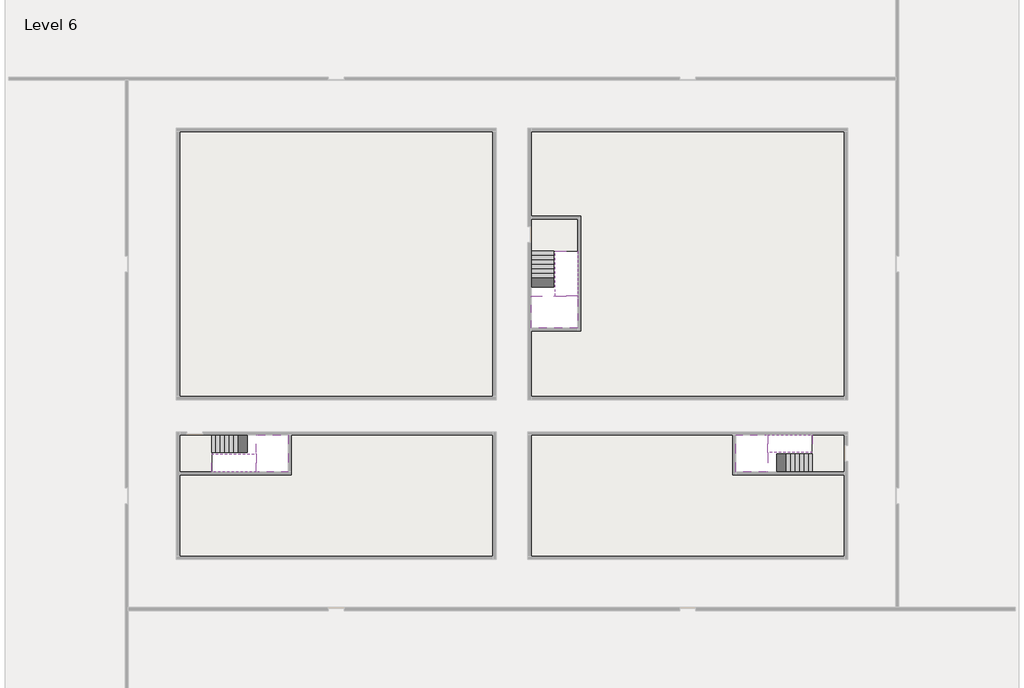
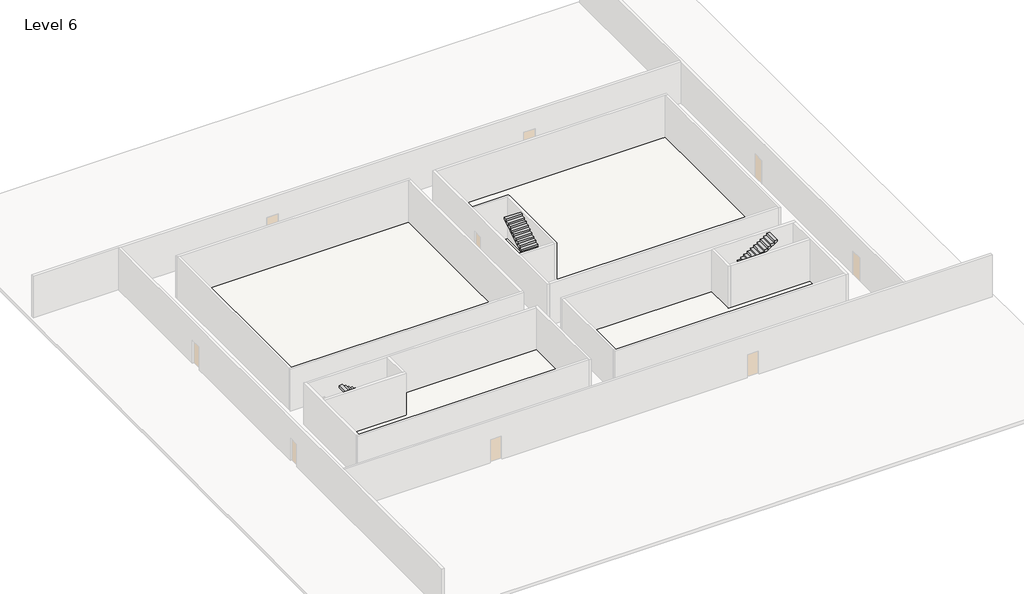
# One storey, part 2 of 2: 6 stair flights, 5 slabs.
"""IFC4 building model written with IfcOpenShell, lengths in millimetres."""

from ifc_helpers import new_model, si_unit, frame, origin, place, context, project, spatial, polyline, outline, extrude, faceted_brep, element, save

model = new_model("IFC4")

# Units and contexts
model_context = context("Model", 3, world=origin())
ifc_project = project(units=[si_unit("LENGTHUNIT", "METRE", prefix="MILLI")], contexts=[model_context])

# Site, building, storey
site = spatial("IfcSite", under=ifc_project)
building = spatial("IfcBuilding", under=site)
storey = spatial("IfcBuildingStorey", under=building, Name="Level 6", Elevation=19000.0)

# Slabs
placement = place(None, origin())
element("IfcSlab", 1, at=placement, inside=storey, context=model_context, shape_type="Brep", body=[
    faceted_brep([(8190.1058784, -42918.09644, 20900.0), (8190.1058784, -44018.09644, 20900.0), (8190.1058784, -44118.09644, 20900.0), (8190.1058784, -45218.09644, 20900.0), (8390.7194421, -45218.09644, 20900.0), (10190.1058784, -45218.09644, 20900.0), (10190.1058784, -42918.09644, 20900.0), (8269.4923146, -42918.09644, 20900.0), (8190.1058784, -42918.09644, 20727.2727273), (8190.1058784, -42918.09644, 20551.0278478), (8190.1058784, -44018.09644, 20551.0278478), (8190.1058784, -44018.09644, 20600.0), (8190.1058784, -44118.09644, 20600.0), (8190.1058784, -44118.09644, 20723.7551205), (8190.1058784, -45218.09644, 20723.7551205), (8390.7194421, -45218.09644, 20600.0), (10190.1058784, -45218.09644, 20600.0), (10190.1058784, -42918.09644, 20600.0), (8269.4923146, -42918.09644, 20600.0), (8390.7194421, -44118.09644, 20600.0), (8269.4923146, -44018.09644, 20600.0)], [[[0, 1, 2, 3, 4, 5, 6, 7]], [[1, 0, 8, 9, 10, 11]], [[2, 1, 11, 12, 13]], [[3, 2, 13, 14]], [[3, 14, 15, 16, 5, 4]], [[6, 5, 16, 17]], [[9, 8, 0, 7, 6, 17, 18]], [[19, 12, 11, 20, 18, 17, 16, 15]], [[12, 19, 13]], [[18, 20, 10, 9]], [[20, 11, 10]], [[19, 15, 14, 13]]]),
])
element("IfcSlab", 2, at=placement, inside=storey, context=model_context, shape_type="Brep", body=[
    faceted_brep([(40190.1058784, -45218.09644, 20900.0), (40190.1058784, -44118.09644, 20900.0), (40190.1058784, -44018.09644, 20900.0), (40190.1058784, -42918.09644, 20900.0), (39989.4923146, -42918.09644, 20900.0), (38190.1058784, -42918.09644, 20900.0), (38190.1058784, -45218.09644, 20900.0), (40110.7194421, -45218.09644, 20900.0), (40190.1058784, -45218.09644, 20727.2727273), (40190.1058784, -45218.09644, 20551.0278478), (40190.1058784, -44118.09644, 20551.0278478), (40190.1058784, -44118.09644, 20600.0), (40190.1058784, -44018.09644, 20600.0), (40190.1058784, -44018.09644, 20723.7551205), (40190.1058784, -42918.09644, 20723.7551205), (39989.4923146, -42918.09644, 20600.0), (38190.1058784, -42918.09644, 20600.0), (38190.1058784, -45218.09644, 20600.0), (40110.7194421, -45218.09644, 20600.0), (39989.4923146, -44018.09644, 20600.0), (40110.7194421, -44118.09644, 20600.0)], [[[0, 1, 2, 3, 4, 5, 6, 7]], [[1, 0, 8, 9, 10, 11]], [[2, 1, 11, 12, 13]], [[3, 2, 13, 14]], [[3, 14, 15, 16, 5, 4]], [[6, 5, 16, 17]], [[9, 8, 0, 7, 6, 17, 18]], [[19, 12, 11, 20, 18, 17, 16, 15]], [[12, 19, 13]], [[18, 20, 10, 9]], [[20, 11, 10]], [[19, 15, 14, 13]]]),
])
element("IfcSlab", 3, at=placement, inside=storey, context=model_context, shape_type="Brep", body=[
    faceted_brep([(26790.1058784, -34218.09644, 20900.0), (25390.1058784, -34218.09644, 20900.0), (25390.1058784, -34297.4828763, 20900.0), (25390.1058784, -36218.09644, 20900.0), (28290.1058784, -36218.09644, 20900.0), (28290.1058784, -34418.7100038, 20900.0), (28290.1058784, -34218.09644, 20900.0), (26890.1058784, -34218.09644, 20900.0), (26790.1058784, -34218.09644, 20600.0), (26790.1058784, -34218.09644, 20551.0278478), (25390.1058784, -34218.09644, 20551.0278478), (25390.1058784, -34218.09644, 20727.2727273), (25390.1058784, -34297.4828763, 20600.0), (25390.1058784, -36218.09644, 20600.0), (28290.1058784, -36218.09644, 20600.0), (28290.1058784, -34418.7100038, 20600.0), (28290.1058784, -34218.09644, 20723.7551205), (26890.1058784, -34218.09644, 20723.7551205), (26890.1058784, -34218.09644, 20600.0), (26890.1058784, -34418.7100038, 20600.0), (26790.1058784, -34297.4828763, 20600.0)], [[[0, 1, 2, 3, 4, 5, 6, 7]], [[1, 0, 8, 9, 10, 11]], [[1, 11, 10, 12, 13, 3, 2]], [[4, 3, 13, 14]], [[4, 14, 15, 16, 6, 5]], [[7, 6, 16, 17]], [[0, 7, 17, 18, 8]], [[18, 19, 15, 14, 13, 12, 20, 8]], [[19, 18, 17]], [[20, 12, 10, 9]], [[8, 20, 9]], [[15, 19, 17, 16]]]),
])
element("IfcSlab", 4, at=placement, inside=storey, context=model_context, shape_type="SweptSolid", body=[
    extrude(outline(polyline([(22990.1058784, -23918.09644), (22990.1058784, -40518.09644), (3390.1058784, -40518.09644), (3390.1058784, -23918.09644), (22990.1058784, -23918.09644)])), frame((0.0, 0.0, 18700.0), z_axis=(0.0, 0.0, 1.0), x_axis=(1.0, 0.0, 0.0)), (0.0, 0.0, 1.0), 300.0),
    extrude(outline(polyline([(44990.1058784, -23918.09644), (44990.1058784, -40518.09644), (25390.1058784, -40518.09644), (25390.1058784, -36418.09644), (28490.1058784, -36418.09644), (28490.1058784, -29218.09644), (25390.1058784, -29218.09644), (25390.1058784, -23918.09644), (44990.1058784, -23918.09644)])), frame((0.0, 0.0, 18700.0), z_axis=(0.0, 0.0, 1.0), x_axis=(1.0, 0.0, 0.0)), (0.0, 0.0, 1.0), 300.0),
    extrude(outline(polyline([(22990.1058784, -42918.09644), (22990.1058784, -50518.09644), (3390.1058784, -50518.09644), (3390.1058784, -45418.09644), (10390.1058784, -45418.09644), (10390.1058784, -42918.09644), (22990.1058784, -42918.09644)])), frame((0.0, 0.0, 18700.0), z_axis=(0.0, 0.0, 1.0), x_axis=(1.0, 0.0, 0.0)), (0.0, 0.0, 1.0), 300.0),
    extrude(outline(polyline([(37990.1058784, -42918.09644), (37990.1058784, -45418.09644), (44990.1058784, -45418.09644), (44990.1058784, -50518.09644), (25390.1058784, -50518.09644), (25390.1058784, -42918.09644), (37990.1058784, -42918.09644)])), frame((0.0, 0.0, 18700.0), z_axis=(0.0, 0.0, 1.0), x_axis=(1.0, 0.0, 0.0)), (0.0, 0.0, 1.0), 300.0),
])
element("IfcSlab", 5, at=placement, inside=storey, context=model_context, shape_type="SweptSolid", body=[
    extrude(outline(polyline([(44990.1058784, -42918.09644), (44990.1058784, -45218.09644), (42990.1058784, -45218.09644), (42990.1058784, -42918.09644), (44990.1058784, -42918.09644)])), frame((0.0, 0.0, 18700.0), z_axis=(0.0, 0.0, 1.0), x_axis=(1.0, 0.0, 0.0)), (0.0, 0.0, 1.0), 300.0),
    extrude(outline(polyline([(5390.1058784, -42918.09644), (5390.1058784, -45218.09644), (3390.1058784, -45218.09644), (3390.1058784, -42918.09644), (5390.1058784, -42918.09644)])), frame((0.0, 0.0, 18700.0), z_axis=(0.0, 0.0, 1.0), x_axis=(1.0, 0.0, 0.0)), (0.0, 0.0, 1.0), 300.0),
    extrude(outline(polyline([(28290.1058784, -29418.09644), (28290.1058784, -31418.09644), (25390.1058784, -31418.09644), (25390.1058784, -29418.09644), (28290.1058784, -29418.09644)])), frame((0.0, 0.0, 18700.0), z_axis=(0.0, 0.0, 1.0), x_axis=(1.0, 0.0, 0.0)), (0.0, 0.0, 1.0), 300.0),
])

# Stair flights
element("IfcStairFlight", 6, at=placement, inside=storey, context=model_context, shape_type="Brep", body=[
    faceted_brep([(5670.1058784, -42918.09644, 19172.7272727), (5390.1058784, -42918.09644, 19172.7272727), (5390.1058784, -44018.09644, 19172.7272727), (5670.1058784, -44018.09644, 19172.7272727), (5670.1058784, -42918.09644, 19000.0), (5390.1058784, -42918.09644, 19000.0), (5390.1058784, -44018.09644, 19000.0), (5670.1058784, -44018.09644, 19000.0), (5950.1058784, -42918.09644, 19345.4545455), (5670.1058784, -42918.09644, 19345.4545455), (5670.1058784, -44018.09644, 19345.4545455), (5950.1058784, -44018.09644, 19345.4545455), (5950.1058784, -42918.09644, 19169.209666), (5675.8081041, -42918.09644, 19000.0), (5675.8081041, -44018.09644, 19000.0), (5950.1058784, -44018.09644, 19169.209666), (6230.1058784, -42918.09644, 19518.1818182), (5950.1058784, -42918.09644, 19518.1818182), (5950.1058784, -44018.09644, 19518.1818182), (6230.1058784, -44018.09644, 19518.1818182), (6230.1058784, -42918.09644, 19341.9369387), (6230.1058784, -44018.09644, 19341.9369387), (6510.1058784, -42918.09644, 19690.9090909), (6230.1058784, -42918.09644, 19690.9090909), (6230.1058784, -44018.09644, 19690.9090909), (6510.1058784, -44018.09644, 19690.9090909), (6510.1058784, -42918.09644, 19514.6642114), (6510.1058784, -44018.09644, 19514.6642114), (6790.1058784, -42918.09644, 19863.6363636), (6510.1058784, -42918.09644, 19863.6363636), (6510.1058784, -44018.09644, 19863.6363636), (6790.1058784, -44018.09644, 19863.6363636), (6790.1058784, -42918.09644, 19687.3914841), (6790.1058784, -44018.09644, 19687.3914841), (7070.1058784, -42918.09644, 20036.3636364), (6790.1058784, -42918.09644, 20036.3636364), (6790.1058784, -44018.09644, 20036.3636364), (7070.1058784, -44018.09644, 20036.3636364), (7070.1058784, -42918.09644, 19860.1187569), (7070.1058784, -44018.09644, 19860.1187569), (7350.1058784, -42918.09644, 20209.0909091), (7070.1058784, -42918.09644, 20209.0909091), (7070.1058784, -44018.09644, 20209.0909091), (7350.1058784, -44018.09644, 20209.0909091), (7350.1058784, -42918.09644, 20032.8460296), (7350.1058784, -44018.09644, 20032.8460296), (7630.1058784, -42918.09644, 20381.8181818), (7350.1058784, -42918.09644, 20381.8181818), (7350.1058784, -44018.09644, 20381.8181818), (7630.1058784, -44018.09644, 20381.8181818), (7630.1058784, -42918.09644, 20205.5733023), (7630.1058784, -44018.09644, 20205.5733023), (7910.1058784, -42918.09644, 20554.5454545), (7630.1058784, -42918.09644, 20554.5454545), (7630.1058784, -44018.09644, 20554.5454545), (7910.1058784, -44018.09644, 20554.5454545), (7910.1058784, -42918.09644, 20378.3005751), (7910.1058784, -44018.09644, 20378.3005751), (8190.1058784, -42918.09644, 20727.2727273), (7910.1058784, -42918.09644, 20727.2727273), (7910.1058784, -44018.09644, 20727.2727273), (8190.1058784, -44018.09644, 20727.2727273), (8190.1058784, -42918.09644, 20551.0278478), (8190.1058784, -44018.09644, 20551.0278478), (8190.1058784, -44018.09644, 20600.0)], [[[0, 1, 2, 3]], [[1, 0, 4, 5]], [[2, 1, 5, 6]], [[3, 2, 6, 7]], [[8, 9, 10, 11]], [[4, 0, 9, 8, 12, 13]], [[0, 3, 10, 9]], [[3, 7, 14, 15, 11, 10]], [[16, 17, 18, 19]], [[17, 16, 20, 12, 8]], [[8, 11, 18, 17]], [[19, 18, 11, 15, 21]], [[22, 23, 24, 25]], [[23, 22, 26, 20, 16]], [[16, 19, 24, 23]], [[25, 24, 19, 21, 27]], [[28, 29, 30, 31]], [[29, 28, 32, 26, 22]], [[22, 25, 30, 29]], [[31, 30, 25, 27, 33]], [[34, 35, 36, 37]], [[35, 34, 38, 32, 28]], [[28, 31, 36, 35]], [[37, 36, 31, 33, 39]], [[40, 41, 42, 43]], [[41, 40, 44, 38, 34]], [[34, 37, 42, 41]], [[43, 42, 37, 39, 45]], [[46, 47, 48, 49]], [[47, 46, 50, 44, 40]], [[40, 43, 48, 47]], [[49, 48, 43, 45, 51]], [[52, 53, 54, 55]], [[53, 52, 56, 50, 46]], [[46, 49, 54, 53]], [[55, 54, 49, 51, 57]], [[58, 59, 60, 61]], [[59, 58, 62, 56, 52]], [[52, 55, 60, 59]], [[61, 60, 55, 57, 63, 64]], [[58, 61, 64, 63, 62]], [[5, 4, 13, 14, 7, 6]], [[14, 13, 12, 20, 26, 32, 38, 44, 50, 56, 62, 63, 57, 51, 45, 39, 33, 27, 21, 15]]]),
])
element("IfcStairFlight", 7, at=placement, inside=storey, context=model_context, shape_type="Brep", body=[
    faceted_brep([(7910.1058784, -45218.09644, 21072.7272727), (8190.1058784, -45218.09644, 21072.7272727), (8190.1058784, -44118.09644, 21072.7272727), (7910.1058784, -44118.09644, 21072.7272727), (7910.1058784, -45218.09644, 20896.4823932), (8190.1058784, -45218.09644, 20723.7551205), (8190.1058784, -45218.09644, 20900.0), (8190.1058784, -44118.09644, 20723.7551205), (7910.1058784, -44118.09644, 20896.4823932), (7630.1058784, -45218.09644, 21245.4545455), (7910.1058784, -45218.09644, 21245.4545455), (7910.1058784, -44118.09644, 21245.4545455), (7630.1058784, -44118.09644, 21245.4545455), (7630.1058784, -45218.09644, 21069.209666), (7630.1058784, -44118.09644, 21069.209666), (7350.1058784, -45218.09644, 21418.1818182), (7630.1058784, -45218.09644, 21418.1818182), (7630.1058784, -44118.09644, 21418.1818182), (7350.1058784, -44118.09644, 21418.1818182), (7350.1058784, -45218.09644, 21241.9369387), (7350.1058784, -44118.09644, 21241.9369387), (7070.1058784, -45218.09644, 21590.9090909), (7350.1058784, -45218.09644, 21590.9090909), (7350.1058784, -44118.09644, 21590.9090909), (7070.1058784, -44118.09644, 21590.9090909), (7070.1058784, -45218.09644, 21414.6642114), (7070.1058784, -44118.09644, 21414.6642114), (6790.1058784, -45218.09644, 21763.6363636), (7070.1058784, -45218.09644, 21763.6363636), (7070.1058784, -44118.09644, 21763.6363636), (6790.1058784, -44118.09644, 21763.6363636), (6790.1058784, -45218.09644, 21587.3914841), (6790.1058784, -44118.09644, 21587.3914841), (6510.1058784, -45218.09644, 21936.3636364), (6790.1058784, -45218.09644, 21936.3636364), (6790.1058784, -44118.09644, 21936.3636364), (6510.1058784, -44118.09644, 21936.3636364), (6510.1058784, -45218.09644, 21760.1187569), (6510.1058784, -44118.09644, 21760.1187569), (6230.1058784, -45218.09644, 22109.0909091), (6510.1058784, -45218.09644, 22109.0909091), (6510.1058784, -44118.09644, 22109.0909091), (6230.1058784, -44118.09644, 22109.0909091), (6230.1058784, -45218.09644, 21932.8460296), (6230.1058784, -44118.09644, 21932.8460296), (5950.1058784, -45218.09644, 22281.8181818), (6230.1058784, -45218.09644, 22281.8181818), (6230.1058784, -44118.09644, 22281.8181818), (5950.1058784, -44118.09644, 22281.8181818), (5950.1058784, -45218.09644, 22105.5733023), (5950.1058784, -44118.09644, 22105.5733023), (5670.1058784, -45218.09644, 22454.5454545), (5950.1058784, -45218.09644, 22454.5454545), (5950.1058784, -44118.09644, 22454.5454545), (5670.1058784, -44118.09644, 22454.5454545), (5670.1058784, -45218.09644, 22278.3005751), (5670.1058784, -44118.09644, 22278.3005751), (5390.1058784, -45218.09644, 22627.2727273), (5670.1058784, -45218.09644, 22627.2727273), (5670.1058784, -44118.09644, 22627.2727273), (5390.1058784, -44118.09644, 22627.2727273), (5390.1058784, -45218.09644, 22451.0278478), (5390.1058784, -44118.09644, 22451.0278478)], [[[0, 1, 2, 3]], [[1, 0, 4, 5, 6]], [[2, 1, 6, 5, 7]], [[3, 2, 7, 8]], [[9, 10, 11, 12]], [[10, 9, 13, 4, 0]], [[11, 10, 0, 3]], [[12, 11, 3, 8, 14]], [[15, 16, 17, 18]], [[16, 15, 19, 13, 9]], [[17, 16, 9, 12]], [[18, 17, 12, 14, 20]], [[21, 22, 23, 24]], [[22, 21, 25, 19, 15]], [[23, 22, 15, 18]], [[24, 23, 18, 20, 26]], [[27, 28, 29, 30]], [[28, 27, 31, 25, 21]], [[29, 28, 21, 24]], [[30, 29, 24, 26, 32]], [[33, 34, 35, 36]], [[34, 33, 37, 31, 27]], [[35, 34, 27, 30]], [[36, 35, 30, 32, 38]], [[39, 40, 41, 42]], [[40, 39, 43, 37, 33]], [[41, 40, 33, 36]], [[42, 41, 36, 38, 44]], [[45, 46, 47, 48]], [[46, 45, 49, 43, 39]], [[47, 46, 39, 42]], [[48, 47, 42, 44, 50]], [[51, 52, 53, 54]], [[52, 51, 55, 49, 45]], [[53, 52, 45, 48]], [[54, 53, 48, 50, 56]], [[57, 58, 59, 60]], [[58, 57, 61, 55, 51]], [[59, 58, 51, 54]], [[60, 59, 54, 56, 62]], [[57, 60, 62, 61]], [[5, 4, 13, 19, 25, 31, 37, 43, 49, 55, 61, 62, 56, 50, 44, 38, 32, 26, 20, 14, 8, 7]]]),
])
element("IfcStairFlight", 8, at=placement, inside=storey, context=model_context, shape_type="Brep", body=[
    faceted_brep([(42710.1058784, -45218.09644, 19172.7272727), (42990.1058784, -45218.09644, 19172.7272727), (42990.1058784, -44118.09644, 19172.7272727), (42710.1058784, -44118.09644, 19172.7272727), (42710.1058784, -45218.09644, 19000.0), (42990.1058784, -45218.09644, 19000.0), (42990.1058784, -44118.09644, 19000.0), (42710.1058784, -44118.09644, 19000.0), (42430.1058784, -45218.09644, 19345.4545455), (42710.1058784, -45218.09644, 19345.4545455), (42710.1058784, -44118.09644, 19345.4545455), (42430.1058784, -44118.09644, 19345.4545455), (42430.1058784, -45218.09644, 19169.209666), (42704.4036527, -45218.09644, 19000.0), (42704.4036527, -44118.09644, 19000.0), (42430.1058784, -44118.09644, 19169.209666), (42150.1058784, -45218.09644, 19518.1818182), (42430.1058784, -45218.09644, 19518.1818182), (42430.1058784, -44118.09644, 19518.1818182), (42150.1058784, -44118.09644, 19518.1818182), (42150.1058784, -45218.09644, 19341.9369387), (42150.1058784, -44118.09644, 19341.9369387), (41870.1058784, -45218.09644, 19690.9090909), (42150.1058784, -45218.09644, 19690.9090909), (42150.1058784, -44118.09644, 19690.9090909), (41870.1058784, -44118.09644, 19690.9090909), (41870.1058784, -45218.09644, 19514.6642114), (41870.1058784, -44118.09644, 19514.6642114), (41590.1058784, -45218.09644, 19863.6363636), (41870.1058784, -45218.09644, 19863.6363636), (41870.1058784, -44118.09644, 19863.6363636), (41590.1058784, -44118.09644, 19863.6363636), (41590.1058784, -45218.09644, 19687.3914841), (41590.1058784, -44118.09644, 19687.3914841), (41310.1058784, -45218.09644, 20036.3636364), (41590.1058784, -45218.09644, 20036.3636364), (41590.1058784, -44118.09644, 20036.3636364), (41310.1058784, -44118.09644, 20036.3636364), (41310.1058784, -45218.09644, 19860.1187569), (41310.1058784, -44118.09644, 19860.1187569), (41030.1058784, -45218.09644, 20209.0909091), (41310.1058784, -45218.09644, 20209.0909091), (41310.1058784, -44118.09644, 20209.0909091), (41030.1058784, -44118.09644, 20209.0909091), (41030.1058784, -45218.09644, 20032.8460296), (41030.1058784, -44118.09644, 20032.8460296), (40750.1058784, -45218.09644, 20381.8181818), (41030.1058784, -45218.09644, 20381.8181818), (41030.1058784, -44118.09644, 20381.8181818), (40750.1058784, -44118.09644, 20381.8181818), (40750.1058784, -45218.09644, 20205.5733023), (40750.1058784, -44118.09644, 20205.5733023), (40470.1058784, -45218.09644, 20554.5454545), (40750.1058784, -45218.09644, 20554.5454545), (40750.1058784, -44118.09644, 20554.5454545), (40470.1058784, -44118.09644, 20554.5454545), (40470.1058784, -45218.09644, 20378.3005751), (40470.1058784, -44118.09644, 20378.3005751), (40190.1058784, -45218.09644, 20727.2727273), (40470.1058784, -45218.09644, 20727.2727273), (40470.1058784, -44118.09644, 20727.2727273), (40190.1058784, -44118.09644, 20727.2727273), (40190.1058784, -45218.09644, 20551.0278478), (40190.1058784, -44118.09644, 20551.0278478), (40190.1058784, -44118.09644, 20600.0)], [[[0, 1, 2, 3]], [[1, 0, 4, 5]], [[2, 1, 5, 6]], [[3, 2, 6, 7]], [[8, 9, 10, 11]], [[4, 0, 9, 8, 12, 13]], [[0, 3, 10, 9]], [[3, 7, 14, 15, 11, 10]], [[16, 17, 18, 19]], [[17, 16, 20, 12, 8]], [[8, 11, 18, 17]], [[19, 18, 11, 15, 21]], [[22, 23, 24, 25]], [[23, 22, 26, 20, 16]], [[16, 19, 24, 23]], [[25, 24, 19, 21, 27]], [[28, 29, 30, 31]], [[29, 28, 32, 26, 22]], [[22, 25, 30, 29]], [[31, 30, 25, 27, 33]], [[34, 35, 36, 37]], [[35, 34, 38, 32, 28]], [[28, 31, 36, 35]], [[37, 36, 31, 33, 39]], [[40, 41, 42, 43]], [[41, 40, 44, 38, 34]], [[34, 37, 42, 41]], [[43, 42, 37, 39, 45]], [[46, 47, 48, 49]], [[47, 46, 50, 44, 40]], [[40, 43, 48, 47]], [[49, 48, 43, 45, 51]], [[52, 53, 54, 55]], [[53, 52, 56, 50, 46]], [[46, 49, 54, 53]], [[55, 54, 49, 51, 57]], [[58, 59, 60, 61]], [[59, 58, 62, 56, 52]], [[52, 55, 60, 59]], [[61, 60, 55, 57, 63, 64]], [[58, 61, 64, 63, 62]], [[5, 4, 13, 14, 7, 6]], [[14, 13, 12, 20, 26, 32, 38, 44, 50, 56, 62, 63, 57, 51, 45, 39, 33, 27, 21, 15]]]),
])
element("IfcStairFlight", 9, at=placement, inside=storey, context=model_context, shape_type="Brep", body=[
    faceted_brep([(40470.1058784, -42918.09644, 21072.7272727), (40190.1058784, -42918.09644, 21072.7272727), (40190.1058784, -44018.09644, 21072.7272727), (40470.1058784, -44018.09644, 21072.7272727), (40470.1058784, -42918.09644, 20896.4823932), (40190.1058784, -42918.09644, 20723.7551205), (40190.1058784, -42918.09644, 20900.0), (40190.1058784, -44018.09644, 20723.7551205), (40470.1058784, -44018.09644, 20896.4823932), (40750.1058784, -42918.09644, 21245.4545455), (40470.1058784, -42918.09644, 21245.4545455), (40470.1058784, -44018.09644, 21245.4545455), (40750.1058784, -44018.09644, 21245.4545455), (40750.1058784, -42918.09644, 21069.209666), (40750.1058784, -44018.09644, 21069.209666), (41030.1058784, -42918.09644, 21418.1818182), (40750.1058784, -42918.09644, 21418.1818182), (40750.1058784, -44018.09644, 21418.1818182), (41030.1058784, -44018.09644, 21418.1818182), (41030.1058784, -42918.09644, 21241.9369387), (41030.1058784, -44018.09644, 21241.9369387), (41310.1058784, -42918.09644, 21590.9090909), (41030.1058784, -42918.09644, 21590.9090909), (41030.1058784, -44018.09644, 21590.9090909), (41310.1058784, -44018.09644, 21590.9090909), (41310.1058784, -42918.09644, 21414.6642114), (41310.1058784, -44018.09644, 21414.6642114), (41590.1058784, -42918.09644, 21763.6363636), (41310.1058784, -42918.09644, 21763.6363636), (41310.1058784, -44018.09644, 21763.6363636), (41590.1058784, -44018.09644, 21763.6363636), (41590.1058784, -42918.09644, 21587.3914841), (41590.1058784, -44018.09644, 21587.3914841), (41870.1058784, -42918.09644, 21936.3636364), (41590.1058784, -42918.09644, 21936.3636364), (41590.1058784, -44018.09644, 21936.3636364), (41870.1058784, -44018.09644, 21936.3636364), (41870.1058784, -42918.09644, 21760.1187569), (41870.1058784, -44018.09644, 21760.1187569), (42150.1058784, -42918.09644, 22109.0909091), (41870.1058784, -42918.09644, 22109.0909091), (41870.1058784, -44018.09644, 22109.0909091), (42150.1058784, -44018.09644, 22109.0909091), (42150.1058784, -42918.09644, 21932.8460296), (42150.1058784, -44018.09644, 21932.8460296), (42430.1058784, -42918.09644, 22281.8181818), (42150.1058784, -42918.09644, 22281.8181818), (42150.1058784, -44018.09644, 22281.8181818), (42430.1058784, -44018.09644, 22281.8181818), (42430.1058784, -42918.09644, 22105.5733023), (42430.1058784, -44018.09644, 22105.5733023), (42710.1058784, -42918.09644, 22454.5454545), (42430.1058784, -42918.09644, 22454.5454545), (42430.1058784, -44018.09644, 22454.5454545), (42710.1058784, -44018.09644, 22454.5454545), (42710.1058784, -42918.09644, 22278.3005751), (42710.1058784, -44018.09644, 22278.3005751), (42990.1058784, -42918.09644, 22627.2727273), (42710.1058784, -42918.09644, 22627.2727273), (42710.1058784, -44018.09644, 22627.2727273), (42990.1058784, -44018.09644, 22627.2727273), (42990.1058784, -42918.09644, 22451.0278478), (42990.1058784, -44018.09644, 22451.0278478)], [[[0, 1, 2, 3]], [[1, 0, 4, 5, 6]], [[2, 1, 6, 5, 7]], [[3, 2, 7, 8]], [[9, 10, 11, 12]], [[10, 9, 13, 4, 0]], [[11, 10, 0, 3]], [[12, 11, 3, 8, 14]], [[15, 16, 17, 18]], [[16, 15, 19, 13, 9]], [[17, 16, 9, 12]], [[18, 17, 12, 14, 20]], [[21, 22, 23, 24]], [[22, 21, 25, 19, 15]], [[23, 22, 15, 18]], [[24, 23, 18, 20, 26]], [[27, 28, 29, 30]], [[28, 27, 31, 25, 21]], [[29, 28, 21, 24]], [[30, 29, 24, 26, 32]], [[33, 34, 35, 36]], [[34, 33, 37, 31, 27]], [[35, 34, 27, 30]], [[36, 35, 30, 32, 38]], [[39, 40, 41, 42]], [[40, 39, 43, 37, 33]], [[41, 40, 33, 36]], [[42, 41, 36, 38, 44]], [[45, 46, 47, 48]], [[46, 45, 49, 43, 39]], [[47, 46, 39, 42]], [[48, 47, 42, 44, 50]], [[51, 52, 53, 54]], [[52, 51, 55, 49, 45]], [[53, 52, 45, 48]], [[54, 53, 48, 50, 56]], [[57, 58, 59, 60]], [[58, 57, 61, 55, 51]], [[59, 58, 51, 54]], [[60, 59, 54, 56, 62]], [[57, 60, 62, 61]], [[5, 4, 13, 19, 25, 31, 37, 43, 49, 55, 61, 62, 56, 50, 44, 38, 32, 26, 20, 14, 8, 7]]]),
])
element("IfcStairFlight", 10, at=placement, inside=storey, context=model_context, shape_type="Brep", body=[
    faceted_brep([(26790.1058784, -31698.09644, 19172.7272727), (26790.1058784, -31418.09644, 19172.7272727), (25390.1058784, -31418.09644, 19172.7272727), (25390.1058784, -31698.09644, 19172.7272727), (26790.1058784, -31698.09644, 19000.0), (26790.1058784, -31418.09644, 19000.0), (25390.1058784, -31418.09644, 19000.0), (25390.1058784, -31698.09644, 19000.0), (26790.1058784, -31978.09644, 19345.4545455), (26790.1058784, -31698.09644, 19345.4545455), (25390.1058784, -31698.09644, 19345.4545455), (25390.1058784, -31978.09644, 19345.4545455), (26790.1058784, -31978.09644, 19169.209666), (26790.1058784, -31703.7986657, 19000.0), (25390.1058784, -31703.7986657, 19000.0), (25390.1058784, -31978.09644, 19169.209666), (26790.1058784, -32258.09644, 19518.1818182), (26790.1058784, -31978.09644, 19518.1818182), (25390.1058784, -31978.09644, 19518.1818182), (25390.1058784, -32258.09644, 19518.1818182), (26790.1058784, -32258.09644, 19341.9369387), (25390.1058784, -32258.09644, 19341.9369387), (26790.1058784, -32538.09644, 19690.9090909), (26790.1058784, -32258.09644, 19690.9090909), (25390.1058784, -32258.09644, 19690.9090909), (25390.1058784, -32538.09644, 19690.9090909), (26790.1058784, -32538.09644, 19514.6642114), (25390.1058784, -32538.09644, 19514.6642114), (26790.1058784, -32818.09644, 19863.6363636), (26790.1058784, -32538.09644, 19863.6363636), (25390.1058784, -32538.09644, 19863.6363636), (25390.1058784, -32818.09644, 19863.6363636), (26790.1058784, -32818.09644, 19687.3914841), (25390.1058784, -32818.09644, 19687.3914841), (26790.1058784, -33098.09644, 20036.3636364), (26790.1058784, -32818.09644, 20036.3636364), (25390.1058784, -32818.09644, 20036.3636364), (25390.1058784, -33098.09644, 20036.3636364), (26790.1058784, -33098.09644, 19860.1187569), (25390.1058784, -33098.09644, 19860.1187569), (26790.1058784, -33378.09644, 20209.0909091), (26790.1058784, -33098.09644, 20209.0909091), (25390.1058784, -33098.09644, 20209.0909091), (25390.1058784, -33378.09644, 20209.0909091), (26790.1058784, -33378.09644, 20032.8460296), (25390.1058784, -33378.09644, 20032.8460296), (26790.1058784, -33658.09644, 20381.8181818), (26790.1058784, -33378.09644, 20381.8181818), (25390.1058784, -33378.09644, 20381.8181818), (25390.1058784, -33658.09644, 20381.8181818), (26790.1058784, -33658.09644, 20205.5733023), (25390.1058784, -33658.09644, 20205.5733023), (26790.1058784, -33938.09644, 20554.5454545), (26790.1058784, -33658.09644, 20554.5454545), (25390.1058784, -33658.09644, 20554.5454545), (25390.1058784, -33938.09644, 20554.5454545), (26790.1058784, -33938.09644, 20378.3005751), (25390.1058784, -33938.09644, 20378.3005751), (26790.1058784, -34218.09644, 20727.2727273), (26790.1058784, -33938.09644, 20727.2727273), (25390.1058784, -33938.09644, 20727.2727273), (25390.1058784, -34218.09644, 20727.2727273), (26790.1058784, -34218.09644, 20600.0), (26790.1058784, -34218.09644, 20551.0278478), (25390.1058784, -34218.09644, 20551.0278478)], [[[0, 1, 2, 3]], [[1, 0, 4, 5]], [[2, 1, 5, 6]], [[3, 2, 6, 7]], [[8, 9, 10, 11]], [[4, 0, 9, 8, 12, 13]], [[0, 3, 10, 9]], [[3, 7, 14, 15, 11, 10]], [[16, 17, 18, 19]], [[17, 16, 20, 12, 8]], [[8, 11, 18, 17]], [[19, 18, 11, 15, 21]], [[22, 23, 24, 25]], [[23, 22, 26, 20, 16]], [[16, 19, 24, 23]], [[25, 24, 19, 21, 27]], [[28, 29, 30, 31]], [[29, 28, 32, 26, 22]], [[22, 25, 30, 29]], [[31, 30, 25, 27, 33]], [[34, 35, 36, 37]], [[35, 34, 38, 32, 28]], [[28, 31, 36, 35]], [[37, 36, 31, 33, 39]], [[40, 41, 42, 43]], [[41, 40, 44, 38, 34]], [[34, 37, 42, 41]], [[43, 42, 37, 39, 45]], [[46, 47, 48, 49]], [[47, 46, 50, 44, 40]], [[40, 43, 48, 47]], [[49, 48, 43, 45, 51]], [[52, 53, 54, 55]], [[53, 52, 56, 50, 46]], [[46, 49, 54, 53]], [[55, 54, 49, 51, 57]], [[58, 59, 60, 61]], [[59, 58, 62, 63, 56, 52]], [[52, 55, 60, 59]], [[61, 60, 55, 57, 64]], [[58, 61, 64, 63, 62]], [[5, 4, 13, 14, 7, 6]], [[14, 13, 12, 20, 26, 32, 38, 44, 50, 56, 63, 64, 57, 51, 45, 39, 33, 27, 21, 15]]]),
])
element("IfcStairFlight", 11, at=placement, inside=storey, context=model_context, shape_type="Brep", body=[
    faceted_brep([(26890.1058784, -33938.09644, 21072.7272727), (26890.1058784, -34218.09644, 21072.7272727), (28290.1058784, -34218.09644, 21072.7272727), (28290.1058784, -33938.09644, 21072.7272727), (26890.1058784, -33938.09644, 20896.4823932), (26890.1058784, -34218.09644, 20723.7551205), (28290.1058784, -34218.09644, 20723.7551205), (28290.1058784, -34218.09644, 20900.0), (28290.1058784, -33938.09644, 20896.4823932), (26890.1058784, -33658.09644, 21245.4545455), (26890.1058784, -33938.09644, 21245.4545455), (28290.1058784, -33938.09644, 21245.4545455), (28290.1058784, -33658.09644, 21245.4545455), (26890.1058784, -33658.09644, 21069.209666), (28290.1058784, -33658.09644, 21069.209666), (26890.1058784, -33378.09644, 21418.1818182), (26890.1058784, -33658.09644, 21418.1818182), (28290.1058784, -33658.09644, 21418.1818182), (28290.1058784, -33378.09644, 21418.1818182), (26890.1058784, -33378.09644, 21241.9369387), (28290.1058784, -33378.09644, 21241.9369387), (26890.1058784, -33098.09644, 21590.9090909), (26890.1058784, -33378.09644, 21590.9090909), (28290.1058784, -33378.09644, 21590.9090909), (28290.1058784, -33098.09644, 21590.9090909), (26890.1058784, -33098.09644, 21414.6642114), (28290.1058784, -33098.09644, 21414.6642114), (26890.1058784, -32818.09644, 21763.6363636), (26890.1058784, -33098.09644, 21763.6363636), (28290.1058784, -33098.09644, 21763.6363636), (28290.1058784, -32818.09644, 21763.6363636), (26890.1058784, -32818.09644, 21587.3914841), (28290.1058784, -32818.09644, 21587.3914841), (26890.1058784, -32538.09644, 21936.3636364), (26890.1058784, -32818.09644, 21936.3636364), (28290.1058784, -32818.09644, 21936.3636364), (28290.1058784, -32538.09644, 21936.3636364), (26890.1058784, -32538.09644, 21760.1187569), (28290.1058784, -32538.09644, 21760.1187569), (26890.1058784, -32258.09644, 22109.0909091), (26890.1058784, -32538.09644, 22109.0909091), (28290.1058784, -32538.09644, 22109.0909091), (28290.1058784, -32258.09644, 22109.0909091), (26890.1058784, -32258.09644, 21932.8460296), (28290.1058784, -32258.09644, 21932.8460296), (26890.1058784, -31978.09644, 22281.8181818), (26890.1058784, -32258.09644, 22281.8181818), (28290.1058784, -32258.09644, 22281.8181818), (28290.1058784, -31978.09644, 22281.8181818), (26890.1058784, -31978.09644, 22105.5733023), (28290.1058784, -31978.09644, 22105.5733023), (26890.1058784, -31698.09644, 22454.5454545), (26890.1058784, -31978.09644, 22454.5454545), (28290.1058784, -31978.09644, 22454.5454545), (28290.1058784, -31698.09644, 22454.5454545), (26890.1058784, -31698.09644, 22278.3005751), (28290.1058784, -31698.09644, 22278.3005751), (26890.1058784, -31418.09644, 22627.2727273), (26890.1058784, -31698.09644, 22627.2727273), (28290.1058784, -31698.09644, 22627.2727273), (28290.1058784, -31418.09644, 22627.2727273), (26890.1058784, -31418.09644, 22451.0278478), (28290.1058784, -31418.09644, 22451.0278478)], [[[0, 1, 2, 3]], [[1, 0, 4, 5]], [[2, 1, 5, 6, 7]], [[3, 2, 7, 6, 8]], [[9, 10, 11, 12]], [[10, 9, 13, 4, 0]], [[11, 10, 0, 3]], [[12, 11, 3, 8, 14]], [[15, 16, 17, 18]], [[16, 15, 19, 13, 9]], [[17, 16, 9, 12]], [[18, 17, 12, 14, 20]], [[21, 22, 23, 24]], [[22, 21, 25, 19, 15]], [[23, 22, 15, 18]], [[24, 23, 18, 20, 26]], [[27, 28, 29, 30]], [[28, 27, 31, 25, 21]], [[29, 28, 21, 24]], [[30, 29, 24, 26, 32]], [[33, 34, 35, 36]], [[34, 33, 37, 31, 27]], [[35, 34, 27, 30]], [[36, 35, 30, 32, 38]], [[39, 40, 41, 42]], [[40, 39, 43, 37, 33]], [[41, 40, 33, 36]], [[42, 41, 36, 38, 44]], [[45, 46, 47, 48]], [[46, 45, 49, 43, 39]], [[47, 46, 39, 42]], [[48, 47, 42, 44, 50]], [[51, 52, 53, 54]], [[52, 51, 55, 49, 45]], [[53, 52, 45, 48]], [[54, 53, 48, 50, 56]], [[57, 58, 59, 60]], [[58, 57, 61, 55, 51]], [[59, 58, 51, 54]], [[60, 59, 54, 56, 62]], [[57, 60, 62, 61]], [[5, 4, 13, 19, 25, 31, 37, 43, 49, 55, 61, 62, 56, 50, 44, 38, 32, 26, 20, 14, 8, 6]]]),
])

save(model, "model.ifc")
